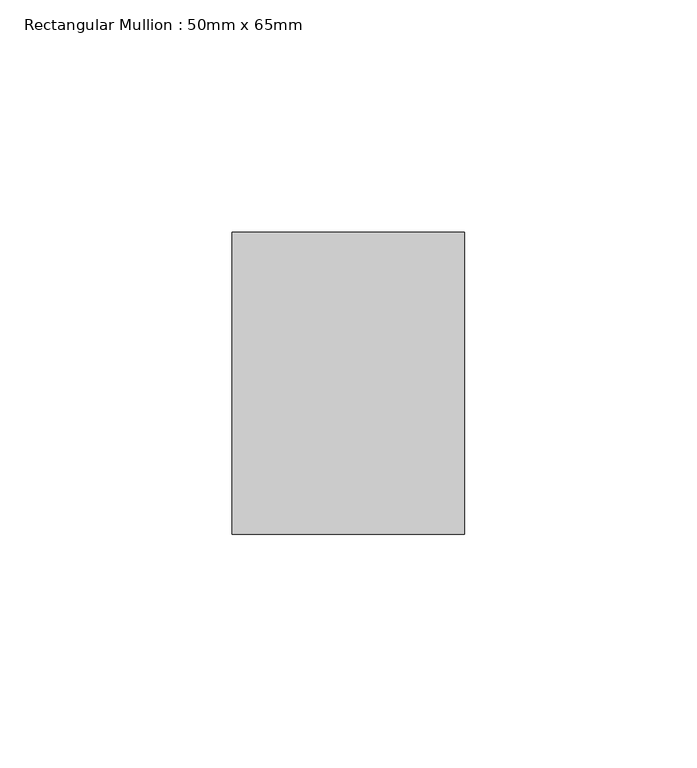
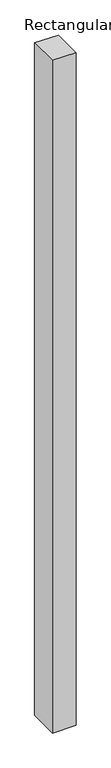
"""IFC4 building model written with IfcOpenShell, lengths in millimetres: member geometry, Rectangular Mullion : 50mm x 65mm."""

import ifcopenshell
import ifcopenshell.guid

model = None  # the IFC model being written
_history = None  # IfcOwnerHistory: only IFC2X3 demands one
_inside = {}  # id of a spatial element -> (the spatial element, [elements in it])
_under = {}  # id of a project, library or spatial element -> (it, [spatial elements below it])
_declared = {}  # id of a project -> (the project, [libraries it declares])
_typed = {}  # id of a type object -> (the type object, [elements of that type])
_made_of = {}  # id of a material, layer set ... -> (it, [elements and type objects made of it])


def new_model(schema):
    """Start an empty IFC model of exactly this schema.

    Asked for "IFC4X3", IfcOpenShell would pick the latest addendum, in which some entities
    have other attributes; the version numbers below select the first issue.
    IFC2X3 requires an IfcOwnerHistory on every rooted entity: one is made here for all.
    """
    global model, _history
    if schema == "IFC4X3":
        model = ifcopenshell.file(schema_version=(4, 3, 0, 0))
    else:
        model = ifcopenshell.file(schema=schema)
    _inside.clear()
    _under.clear()
    _declared.clear()
    _typed.clear()
    _made_of.clear()
    _history = None
    if model.schema == "IFC2X3":
        org = make("IfcOrganization", Name="unknown")
        user = make(
            "IfcPersonAndOrganization",
            ThePerson=make("IfcPerson", FamilyName="unknown"),
            TheOrganization=org,
        )
        app = make(
            "IfcApplication",
            ApplicationDeveloper=org,
            Version="unknown",
            ApplicationFullName="unknown",
            ApplicationIdentifier="unknown",
        )
        _history = make(
            "IfcOwnerHistory",
            OwningUser=user,
            OwningApplication=app,
            ChangeAction="ADDED",
            CreationDate=0,
        )
    return model


def make(cls, **values):
    """One entity of the class cls with the attributes given. An attribute that is None is left unset."""
    return model.create_entity(
        cls, **{name: value for name, value in values.items() if value is not None}
    )


def rooted(cls, **values):
    """An entity with a GlobalId (a new one), such as an element, a storey or a relation."""
    return make(cls, GlobalId=ifcopenshell.guid.new(), OwnerHistory=_history, **values)


def si_unit(unit_type, name, prefix=None):
    """IfcSIUnit, for example si_unit("LENGTHUNIT", "METRE", prefix="MILLI")."""
    return make("IfcSIUnit", UnitType=unit_type, Prefix=prefix, Name=name)


def assignment(units):
    """IfcUnitAssignment: the units of a project."""
    return None if units is None else make("IfcUnitAssignment", Units=units)


def point(xyz):
    """IfcCartesianPoint."""
    return None if xyz is None else make("IfcCartesianPoint", Coordinates=xyz)


def direction(xyz):
    """IfcDirection."""
    return None if xyz is None else make("IfcDirection", DirectionRatios=xyz)


def frame(location, z_axis=None, x_axis=None):
    """IfcAxis2Placement3D, a coordinate frame: its origin and axes. An axis left out is left unset."""
    return make(
        "IfcAxis2Placement3D",
        Location=point(location),
        Axis=direction(z_axis),
        RefDirection=direction(x_axis),
    )


def origin():
    """The frame at (0, 0, 0) with its axes left unset."""
    return frame((0.0, 0.0, 0.0))


def place(relative_to, where):
    """IfcLocalPlacement: puts the frame where relative to a parent placement (None: the world)."""
    return make(
        "IfcLocalPlacement", PlacementRelTo=relative_to, RelativePlacement=where
    )


def context(
    kind, dimensions, precision=None, world=None, true_north=None, identifier=None
):
    """IfcGeometricRepresentationContext, for example the 3D "Model" context."""
    return make(
        "IfcGeometricRepresentationContext",
        ContextIdentifier=identifier,
        ContextType=kind,
        CoordinateSpaceDimension=dimensions,
        Precision=precision,
        WorldCoordinateSystem=world,
        TrueNorth=true_north,
    )


def project(units=None, contexts=None):
    """IfcProject with its units and contexts."""
    return rooted(
        "IfcProject",
        Name="project",
        RepresentationContexts=contexts,
        UnitsInContext=assignment(units),
    )


def spatial(cls, under=None, at=None, **own):
    """A site, building, storey or space (cls), placed at a placement, below another one or the project."""
    s = rooted(cls, ObjectPlacement=at, **own)
    if under is not None:
        _under.setdefault(under.id(), (under, []))[1].append(s)
    return s


def faces_of(points, faces, orient=None, outer=None):
    """IfcFace entities. A face is a list of loops; a loop is a list of indices into points, from 0.

    orient and outer hold one flag for each loop. By default every Orientation is true, the
    first loop of a face is its IfcFaceOuterBound and the others are IfcFaceBound.
    """
    made = []
    for i, loops in enumerate(faces):
        bounds = []
        for j, loop in enumerate(loops):
            is_outer = j == 0 if outer is None else outer[i][j]
            bounds.append(
                make(
                    "IfcFaceOuterBound" if is_outer else "IfcFaceBound",
                    Bound=make("IfcPolyLoop", Polygon=[points[k] for k in loop]),
                    Orientation=True if orient is None else orient[i][j],
                )
            )
        made.append(make("IfcFace", Bounds=bounds))
    return made


def faceted_brep(points, faces, orient=None, outer=None, voids=None):
    """IfcFacetedBrep: a solid bounded by flat faces; with voids (closed shells), ...WithVoids."""
    shared = [point(p) for p in points]
    hull = make("IfcClosedShell", CfsFaces=faces_of(shared, faces, orient, outer))
    if voids is None:
        return make("IfcFacetedBrep", Outer=hull)
    return make(
        "IfcFacetedBrepWithVoids",
        Outer=hull,
        Voids=[
            make(cls, CfsFaces=faces_of(shared, fs, o, b)) for cls, fs, o, b in voids
        ],
    )


def shape(context_of_items, identifier, shape_type, items):
    """IfcShapeRepresentation: the items that make up one representation, for example the "Body"."""
    return make(
        "IfcShapeRepresentation",
        ContextOfItems=context_of_items,
        RepresentationIdentifier=identifier,
        RepresentationType=shape_type,
        Items=items,
    )


def source(mapping_origin, context_of_items, identifier, shape_type, items):
    """IfcRepresentationMap: a shape defined once, which mapped items show again and again."""
    return make(
        "IfcRepresentationMap",
        MappingOrigin=mapping_origin,
        MappedRepresentation=shape(context_of_items, identifier, shape_type, items),
    )


def transform(
    local_origin,
    x_axis=None,
    y_axis=None,
    z_axis=None,
    scale=None,
    scale2=None,
    scale3=None,
    uniform=True,
):
    """IfcCartesianTransformationOperator3D, or its non-uniform kind. x_axis, y_axis, z_axis: its Axis1, 2, 3."""
    if uniform:
        return make(
            "IfcCartesianTransformationOperator3D",
            Axis1=direction(x_axis),
            Axis2=direction(y_axis),
            LocalOrigin=point(local_origin),
            Scale=scale,
            Axis3=direction(z_axis),
        )
    return make(
        "IfcCartesianTransformationOperator3DnonUniform",
        Axis1=direction(x_axis),
        Axis2=direction(y_axis),
        LocalOrigin=point(local_origin),
        Scale=scale,
        Axis3=direction(z_axis),
        Scale2=scale2,
        Scale3=scale3,
    )


def mapped(mapping_source, mapping_target):
    """IfcMappedItem: shows the shape of a source again, moved by a transform."""
    return make(
        "IfcMappedItem", MappingSource=mapping_source, MappingTarget=mapping_target
    )


def made_of(thing, what):
    """Note that an element or type object is made of a material, layer set ...; save() writes the relation."""
    if what is not None:
        _made_of.setdefault(what.id(), (what, []))[1].append(thing)
    return thing


def element(
    cls,
    number,
    at=None,
    inside=None,
    cuts=None,
    type_object=None,
    material=None,
    context=None,
    identifier="Body",
    shape_type=None,
    held_by="IfcProductDefinitionShape",
    body=None,
    shapes=None,
    **own,
):
    """One element of the class cls, such as IfcWall. Its Tag is "e" and its number.

    at: its placement. inside: the storey or other place that contains it. cuts: it is an
    opening in that element (IfcRelVoidsElement). A single representation is given by context,
    identifier, shape_type and body (its items); several are given by shapes. held_by: the class
    of the entity that holds the representations. save() writes the other relations.
    """
    e = rooted(cls, Tag="e%d" % number, ObjectPlacement=at, **own)
    if body is not None:
        shapes = [shape(context, identifier, shape_type, body)]
    if shapes is not None:
        e.Representation = make(held_by, Representations=shapes)
    if inside is not None:
        _inside.setdefault(inside.id(), (inside, []))[1].append(e)
    if cuts is not None:
        rooted(
            "IfcRelVoidsElement", RelatingBuildingElement=cuts, RelatedOpeningElement=e
        )
    if type_object is not None:
        _typed.setdefault(type_object.id(), (type_object, []))[1].append(e)
    return made_of(e, material)


def aggregate(whole, parts):
    """IfcRelAggregates: a whole, such as a stair, and the parts it consists of."""
    return rooted("IfcRelAggregates", RelatingObject=whole, RelatedObjects=parts)


def save(model, path):
    """Write the relations noted so far, then the file.

    IfcRelAggregates (storeys below a building ...), IfcRelContainedInSpatialStructure (elements
    in a storey), IfcRelDefinesByType, IfcRelAssociatesMaterial and IfcRelDeclares: one each for
    every whole, place, type object, material and project.
    """
    for whole, parts in _under.values():
        aggregate(whole, parts)
    for where, things in _inside.values():
        rooted(
            "IfcRelContainedInSpatialStructure",
            RelatedElements=things,
            RelatingStructure=where,
        )
    for kind, things in _typed.values():
        rooted("IfcRelDefinesByType", RelatedObjects=things, RelatingType=kind)
    for what, things in _made_of.values():
        rooted("IfcRelAssociatesMaterial", RelatedObjects=things, RelatingMaterial=what)
    for by, libraries in _declared.values():
        rooted("IfcRelDeclares", RelatingContext=by, RelatedDefinitions=libraries)
    model.write(path)


def rectangular_mullion_50mm_x_65mm_176b9d34(model_context):
    return source(origin(), model_context, "Body", "Brep", [
        faceted_brep([(-25.0, 32.5, -0.1835731), (25.0, 32.5, -0.183572), (25.0, 32.5, -1499.7334225), (-25.0, 32.5, -1499.7334209), (-25.0, -32.5, 0.183572), (-25.0, -32.5, -1500.2663172), (25.0, -32.5, 0.1835731), (25.0, -32.5, -1500.2663189)], [[[0, 1, 2, 3]], [[4, 0, 3, 5]], [[6, 4, 5, 7]], [[1, 6, 7, 2]], [[1, 0, 4, 6]], [[2, 7, 5, 3]]]),
    ])


if __name__ == "__main__":
    model = new_model("IFC4")
    model_context = context("Model", 3, world=origin())
    ifc_project = project(units=[si_unit("LENGTHUNIT", "METRE", prefix="MILLI")], contexts=[model_context])
    site = spatial("IfcSite", under=ifc_project)
    building = spatial("IfcBuilding", under=site)
    placement = place(None, origin())
    rectangular_mullion_50mm_x_65mm_shape = rectangular_mullion_50mm_x_65mm_176b9d34(model_context)
    element("IfcMember", 1, ObjectType="Rectangular Mullion : 50mm x 65mm", at=placement, inside=building, context=model_context, shape_type="MappedRepresentation", body=[
        mapped(rectangular_mullion_50mm_x_65mm_shape, transform((0.0, 0.0, 0.0), x_axis=(1.0, 0.0, 0.0), y_axis=(0.0, 1.0, 0.0), z_axis=(0.0, 0.0, 1.0))),
    ])
    save(model, "model.ifc")
